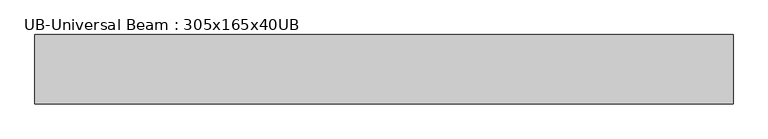
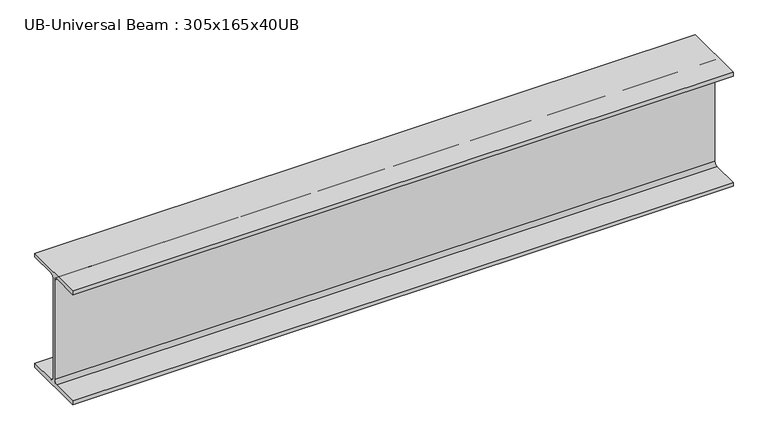
"""IFC4 building model written with IfcOpenShell, lengths in millimetres: beam geometry, UB-Universal Beam : 305x165x40UB."""

from ifc_helpers import new_model, si_unit, point, frame, frame_2d, origin, place, context, project, spatial, polyline, circle_curve, trimmed, segment, composite_curve, outline, extrude, source, transform, mapped, element, save


def ub_universal_beam_305x165x40ub_e1e856e9(model_context):
    return source(origin(), model_context, "Body", "SweptSolid", [
        extrude(outline(composite_curve([segment(polyline([(82.5, -141.5), (82.5, -151.7), (-82.5, -151.7), (-82.5, -141.5), (-11.9, -141.5)]), True, "CONTINUOUS"), segment(trimmed(circle_curve(frame_2d((-11.9, -132.6)), 8.9), [point((-11.9, -141.5))], [point((-3.0, -132.6))], True, "CARTESIAN"), True, "CONTINUOUS"), segment(polyline([(-3.0, -132.6), (-3.0, 132.6)]), True, "CONTINUOUS"), segment(trimmed(circle_curve(frame_2d((-11.9, 132.6)), 8.9), [point((-3.0, 132.6))], [point((-11.9, 141.5))], True, "CARTESIAN"), True, "CONTINUOUS"), segment(polyline([(-11.9, 141.5), (-82.5, 141.5), (-82.5, 151.7), (82.5, 151.7), (82.5, 141.5), (11.9, 141.5)]), True, "CONTINUOUS"), segment(trimmed(circle_curve(frame_2d((11.9, 132.6)), 8.9), [point((11.9, 141.5))], [point((3.0, 132.6))], True, "CARTESIAN"), True, "CONTINUOUS"), segment(polyline([(3.0, 132.6), (3.0, -132.6)]), True, "CONTINUOUS"), segment(trimmed(circle_curve(frame_2d((11.9, -132.6)), 8.9), [point((3.0, -132.6))], [point((11.9, -141.5))], True, "CARTESIAN"), True, "CONTINUOUS"), segment(polyline([(11.9, -141.5), (82.5, -141.5)]), True, "CONTINUOUS")], self_intersect=False)), frame((-715.5584029, 0.0, 0.0), z_axis=(1.0, 0.0, 0.0), x_axis=(0.0, 1.0, 0.0)), (0.0, 0.0, 1.0), 1662.9146205),
    ])


if __name__ == "__main__":
    model = new_model("IFC4")
    model_context = context("Model", 3, world=origin())
    ifc_project = project(units=[si_unit("LENGTHUNIT", "METRE", prefix="MILLI")], contexts=[model_context])
    site = spatial("IfcSite", under=ifc_project)
    building = spatial("IfcBuilding", under=site)
    placement = place(None, origin())
    ub_universal_beam_305x165x40ub_shape = ub_universal_beam_305x165x40ub_e1e856e9(model_context)
    element("IfcBeam", 1, ObjectType="UB-Universal Beam : 305x165x40UB", at=placement, inside=building, context=model_context, shape_type="MappedRepresentation", body=[
        mapped(ub_universal_beam_305x165x40ub_shape, transform((0.0, 0.0, 0.0), x_axis=(1.0, 0.0, 0.0), y_axis=(0.0, 1.0, 0.0), z_axis=(0.0, 0.0, 1.0))),
    ])
    save(model, "model.ifc")
